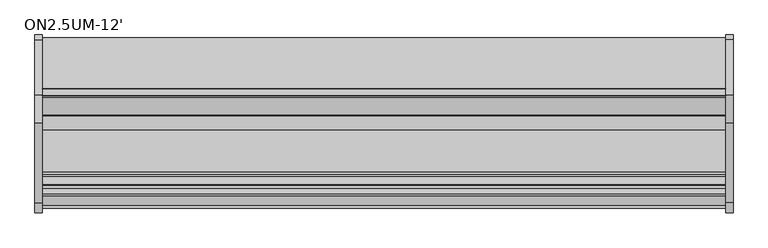
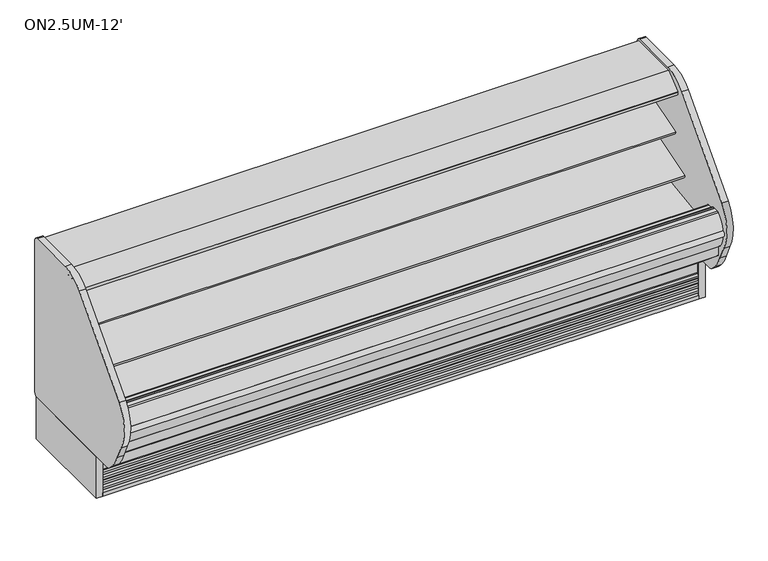
"""IFC4 building model written with IfcOpenShell, lengths in millimetres: proxy geometry, ON2.5UM-12'."""

from ifc_helpers import new_model, si_unit, point, frame, frame_2d, origin, origin_with_axes, place, context, project, spatial, polyline, circle_curve, trimmed, segment, composite_curve, outline, extrude, source, transform, mapped, element, save
from ifc_brep_helpers import plane_surface, revolved_surface, advanced_brep


def on2_5um_12_7f1e8a4a(model_context):
    return source(origin(), model_context, "Body", "SolidModel", [
        extrude(outline(polyline([(507.388263, -893.2764617), (202.588263, -893.2764617), (202.588263, -791.6764617), (507.388263, -791.6764617), (507.388263, -893.2764617)])), frame((0.0, 0.0, 73.025), z_axis=(0.0, 0.0, 1.0), x_axis=(1.0, 0.0, 0.0)), (0.0, 0.0, 1.0), 53.975),
        extrude(outline(composite_curve([segment(polyline([(-450.9752145, 601.5405648), (-468.3502366, 595.9037411)]), True, "CONTINUOUS"), segment(trimmed(circle_curve(frame_2d((-476.1883714, 620.0641145)), 25.4), [point((-468.3502366, 595.9037411))], [point((-485.6945728, 596.5100886))], False, "CARTESIAN"), True, "CONTINUOUS"), segment(polyline([(-485.6945728, 596.5100886), (-506.9899706, 605.1047271)]), True, "CONTINUOUS"), segment(trimmed(circle_curve(frame_2d((-530.755474, 546.2196624)), 63.5), [point((-506.9899706, 605.1047271))], [point((-541.6241367, 608.7826081))], True, "CARTESIAN"), True, "CONTINUOUS"), segment(polyline([(-541.6241367, 608.7826081), (-729.3406491, 576.171812), (-731.7702933, 579.0267523), (-835.4587722, 547.3260029), (-839.6174674, 560.9284818), (-450.9752145, 679.7483426), (-450.9752145, 601.5405648)]), True, "CONTINUOUS")], self_intersect=False)), frame((0.0, 0.0, 0.0), z_axis=(1.0, 0.0, 0.0), x_axis=(0.0, 1.0, 0.0)), (0.0, 0.0, 1.0), 3657.6),
        extrude(outline(composite_curve([segment(polyline([(-450.9752145, 796.011901), (-468.3502366, 790.3750773)]), True, "CONTINUOUS"), segment(trimmed(circle_curve(frame_2d((-476.1883714, 814.5354507)), 25.4), [point((-468.3502366, 790.3750773))], [point((-485.6945728, 790.9814248))], False, "CARTESIAN"), True, "CONTINUOUS"), segment(polyline([(-485.6945728, 790.9814248), (-506.9899706, 799.5760633)]), True, "CONTINUOUS"), segment(trimmed(circle_curve(frame_2d((-530.755474, 740.6909986)), 63.5), [point((-506.9899706, 799.5760633))], [point((-541.6241367, 803.2539443))], True, "CARTESIAN"), True, "CONTINUOUS"), segment(polyline([(-541.6241367, 803.2539443), (-679.3922366, 785.9139105), (-681.8218807, 788.7688507), (-738.298209, 771.5023043), (-742.4569042, 785.1047832), (-450.9752145, 874.2196788), (-450.9752145, 796.011901)]), True, "CONTINUOUS")], self_intersect=False)), frame((0.0, 0.0, 0.0), z_axis=(1.0, 0.0, 0.0), x_axis=(0.0, 1.0, 0.0)), (0.0, 0.0, 1.0), 3657.6),
        extrude(outline(composite_curve([segment(polyline([(-648.470614, 1072.6264761), (-649.9945361, 1074.2809705)]), True, "CONTINUOUS"), segment(trimmed(circle_curve(frame_2d((-649.4381785, 1074.7934206)), 0.7563986), [point((-649.9945361, 1074.2809705))], [point((-650.0466912, 1075.242699))], False, "CARTESIAN"), True, "CONTINUOUS"), segment(polyline([(-650.0466912, 1075.242699), (-648.8697344, 1075.2696879)]), True, "CONTINUOUS"), segment(trimmed(circle_curve(frame_2d((-648.8849906, 1075.9349944)), 0.6654814), [point((-648.8697344, 1075.2696879))], [point((-648.2227389, 1075.86951))], True, "CARTESIAN"), True, "CONTINUOUS"), segment(polyline([(-648.2227389, 1075.86951), (-620.3098143, 1075.9693853)]), True, "CONTINUOUS"), segment(trimmed(circle_curve(frame_2d((-619.7582325, 1075.901174)), 0.5557835), [point((-620.3098143, 1075.9693853))], [point((-619.8063732, 1075.3474794))], True, "CARTESIAN"), True, "CONTINUOUS"), segment(polyline([(-619.8063732, 1075.3474794), (-618.5866603, 1075.2414319)]), True, "CONTINUOUS"), segment(trimmed(circle_curve(frame_2d((-619.2724659, 1074.9057275)), 0.7635619), [point((-618.5866603, 1075.2414319))], [point((-618.7071533, 1074.3924554))], False, "CARTESIAN"), True, "CONTINUOUS"), segment(polyline([(-618.7071533, 1074.3924554), (-620.2979029, 1072.6404203), (-620.2739221, 1065.9383273)]), True, "CONTINUOUS"), segment(trimmed(circle_curve(frame_2d((-617.5454128, 1065.4973187)), 2.7639197), [point((-620.2739221, 1065.9383273))], [point((-618.5092301, 1062.9068924))], True, "CARTESIAN"), True, "CONTINUOUS"), segment(trimmed(circle_curve(frame_2d((-619.7320957, 1059.6202289)), 3.5067873), [point((-618.5092301, 1062.9068924))], [point((-617.51659, 1062.3385173))], False, "CARTESIAN"), True, "CONTINUOUS"), segment(trimmed(circle_curve(frame_2d((-619.9358423, 1056.2322704)), 6.5680312), [point((-617.51659, 1062.3385173))], [point((-613.3688711, 1056.350264))], False, "CARTESIAN"), True, "CONTINUOUS"), segment(trimmed(circle_curve(frame_2d((-1565.705013, 1048.3568984)), 952.3696872), [point((-613.3688711, 1056.350264))], [point((-613.3917721, 1037.9880818))], False, "CARTESIAN"), True, "CONTINUOUS"), segment(trimmed(circle_curve(frame_2d((-644.191626, 1038.432929)), 30.8030662), [point((-613.3917721, 1037.9880818))], [point((-613.4160701, 1037.1313729))], False, "CARTESIAN"), True, "CONTINUOUS"), segment(trimmed(circle_curve(frame_2d((-614.6672942, 1036.8230636)), 1.288649), [point((-613.4160701, 1037.1313729))], [point((-613.7448372, 1035.9232363))], False, "CARTESIAN"), True, "CONTINUOUS"), segment(polyline([(-613.7448372, 1035.9232363), (-615.3844258, 1035.9173697)]), True, "CONTINUOUS"), segment(trimmed(circle_curve(frame_2d((-614.9290066, 1038.5823232)), 2.7035873), [point((-615.3844258, 1035.9173697))], [point((-616.2763262, 1036.2383706))], False, "CARTESIAN"), True, "CONTINUOUS"), segment(polyline([(-616.2763262, 1036.2383706), (-652.0965363, 1036.1102022)]), True, "CONTINUOUS"), segment(trimmed(circle_curve(frame_2d((-653.4351306, 1038.4591487)), 2.7035873), [point((-652.0965363, 1036.1102022))], [point((-653.0538308, 1035.7825847))], False, "CARTESIAN"), True, "CONTINUOUS"), segment(polyline([(-653.0538308, 1035.7825847), (-654.7261323, 1035.7766011)]), True, "CONTINUOUS"), segment(trimmed(circle_curve(frame_2d((-653.779063, 1036.6504867)), 1.288649), [point((-654.7261323, 1035.7766011))], [point((-655.0218104, 1036.9913611))], False, "CARTESIAN"), True, "CONTINUOUS"), segment(trimmed(circle_curve(frame_2d((514.6365685, 1060.3863806)), 1169.8923242), [point((-655.0218104, 1036.9913611))], [point((-655.2482668, 1056.2004152))], False, "CARTESIAN"), True, "CONTINUOUS"), segment(trimmed(circle_curve(frame_2d((-648.976975, 1056.2228546)), 6.2713319), [point((-655.2482668, 1056.2004152))], [point((-652.1320539, 1061.6427329))], False, "CARTESIAN"), True, "CONTINUOUS"), segment(polyline([(-652.1320539, 1061.6427329), (-650.1549769, 1062.7936506)]), True, "CONTINUOUS"), segment(trimmed(circle_curve(frame_2d((-651.9196866, 1065.8251158)), 3.5077032), [point((-650.1549769, 1062.7936506))], [point((-648.4120058, 1065.8376464))], True, "CARTESIAN"), True, "CONTINUOUS"), segment(polyline([(-648.4120058, 1065.8376464), (-648.470614, 1072.6264761)]), True, "CONTINUOUS")], self_intersect=False)), frame((0.0, 0.0, 0.0), z_axis=(1.0, 0.0, 0.0), x_axis=(0.0, 1.0, 0.0)), (0.0, 0.0, 1.0), 3657.6),
        extrude(outline(composite_curve([segment(polyline([(-685.859414, 1072.6264761), (-687.3833361, 1074.2809705)]), True, "CONTINUOUS"), segment(trimmed(circle_curve(frame_2d((-686.8269785, 1074.7934206)), 0.7563986), [point((-687.3833361, 1074.2809705))], [point((-687.4354912, 1075.242699))], False, "CARTESIAN"), True, "CONTINUOUS"), segment(polyline([(-687.4354912, 1075.242699), (-686.2585344, 1075.2696879)]), True, "CONTINUOUS"), segment(trimmed(circle_curve(frame_2d((-686.2737906, 1075.9349944)), 0.6654814), [point((-686.2585344, 1075.2696879))], [point((-685.6115389, 1075.86951))], True, "CARTESIAN"), True, "CONTINUOUS"), segment(polyline([(-685.6115389, 1075.86951), (-657.6986143, 1075.9693853)]), True, "CONTINUOUS"), segment(trimmed(circle_curve(frame_2d((-657.1470325, 1075.901174)), 0.5557835), [point((-657.6986143, 1075.9693853))], [point((-657.1951732, 1075.3474794))], True, "CARTESIAN"), True, "CONTINUOUS"), segment(polyline([(-657.1951732, 1075.3474794), (-655.9754603, 1075.2414319)]), True, "CONTINUOUS"), segment(trimmed(circle_curve(frame_2d((-656.6612659, 1074.9057275)), 0.7635619), [point((-655.9754603, 1075.2414319))], [point((-656.0959533, 1074.3924554))], False, "CARTESIAN"), True, "CONTINUOUS"), segment(polyline([(-656.0959533, 1074.3924554), (-657.6867029, 1072.6404203), (-657.6627221, 1065.9383273)]), True, "CONTINUOUS"), segment(trimmed(circle_curve(frame_2d((-654.9342128, 1065.4973187)), 2.7639197), [point((-657.6627221, 1065.9383273))], [point((-655.8980301, 1062.9068924))], True, "CARTESIAN"), True, "CONTINUOUS"), segment(trimmed(circle_curve(frame_2d((-657.1208957, 1059.6202289)), 3.5067873), [point((-655.8980301, 1062.9068924))], [point((-654.90539, 1062.3385173))], False, "CARTESIAN"), True, "CONTINUOUS"), segment(trimmed(circle_curve(frame_2d((-657.3246423, 1056.2322704)), 6.5680312), [point((-654.90539, 1062.3385173))], [point((-650.7576711, 1056.350264))], False, "CARTESIAN"), True, "CONTINUOUS"), segment(trimmed(circle_curve(frame_2d((-1603.093813, 1048.3568984)), 952.3696872), [point((-650.7576711, 1056.350264))], [point((-650.7805721, 1037.9880818))], False, "CARTESIAN"), True, "CONTINUOUS"), segment(trimmed(circle_curve(frame_2d((-681.580426, 1038.432929)), 30.8030662), [point((-650.7805721, 1037.9880818))], [point((-650.8048701, 1037.1313729))], False, "CARTESIAN"), True, "CONTINUOUS"), segment(trimmed(circle_curve(frame_2d((-652.0560942, 1036.8230636)), 1.288649), [point((-650.8048701, 1037.1313729))], [point((-651.1336372, 1035.9232363))], False, "CARTESIAN"), True, "CONTINUOUS"), segment(polyline([(-651.1336372, 1035.9232363), (-652.7732258, 1035.9173697)]), True, "CONTINUOUS"), segment(trimmed(circle_curve(frame_2d((-652.3178066, 1038.5823232)), 2.7035873), [point((-652.7732258, 1035.9173697))], [point((-653.6651262, 1036.2383706))], False, "CARTESIAN"), True, "CONTINUOUS"), segment(polyline([(-653.6651262, 1036.2383706), (-689.4853363, 1036.1102022)]), True, "CONTINUOUS"), segment(trimmed(circle_curve(frame_2d((-690.8239306, 1038.4591487)), 2.7035873), [point((-689.4853363, 1036.1102022))], [point((-690.4426308, 1035.7825847))], False, "CARTESIAN"), True, "CONTINUOUS"), segment(polyline([(-690.4426308, 1035.7825847), (-692.1149323, 1035.7766011)]), True, "CONTINUOUS"), segment(trimmed(circle_curve(frame_2d((-691.167863, 1036.6504867)), 1.288649), [point((-692.1149323, 1035.7766011))], [point((-692.4106104, 1036.9913611))], False, "CARTESIAN"), True, "CONTINUOUS"), segment(trimmed(circle_curve(frame_2d((477.2477685, 1060.3863806)), 1169.8923242), [point((-692.4106104, 1036.9913611))], [point((-692.6370668, 1056.2004152))], False, "CARTESIAN"), True, "CONTINUOUS"), segment(trimmed(circle_curve(frame_2d((-686.365775, 1056.2228546)), 6.2713319), [point((-692.6370668, 1056.2004152))], [point((-689.5208539, 1061.6427329))], False, "CARTESIAN"), True, "CONTINUOUS"), segment(polyline([(-689.5208539, 1061.6427329), (-687.5437769, 1062.7936506)]), True, "CONTINUOUS"), segment(trimmed(circle_curve(frame_2d((-689.3084866, 1065.8251158)), 3.5077032), [point((-687.5437769, 1062.7936506))], [point((-685.8008058, 1065.8376464))], True, "CARTESIAN"), True, "CONTINUOUS"), segment(polyline([(-685.8008058, 1065.8376464), (-685.859414, 1072.6264761)]), True, "CONTINUOUS")], self_intersect=False)), frame((0.0, 0.0, 0.0), z_axis=(1.0, 0.0, 0.0), x_axis=(0.0, 1.0, 0.0)), (0.0, 0.0, 1.0), 3657.6),
        extrude(outline(composite_curve([segment(trimmed(circle_curve(frame_2d((-634.3430759, 1052.6167993)), 14.2875), [point((-648.6305759, 1052.6167993))], [point((-620.0555759, 1052.6167993))], False, "CARTESIAN"), True, "CONTINUOUS"), segment(trimmed(circle_curve(frame_2d((-634.3430759, 1052.6167993)), 14.2875), [point((-620.0555759, 1052.6167993))], [point((-648.6305759, 1052.6167993))], False, "CARTESIAN"), True, "CONTINUOUS")], self_intersect=False)), frame((0.0, 0.0, 0.0), z_axis=(1.0, 0.0, 0.0), x_axis=(0.0, 1.0, 0.0)), (0.0, 0.0, 1.0), 3657.6),
        extrude(outline(composite_curve([segment(trimmed(circle_curve(frame_2d((-671.7318759, 1052.6167993)), 14.2875), [point((-686.0193759, 1052.6167993))], [point((-657.4443759, 1052.6167993))], False, "CARTESIAN"), True, "CONTINUOUS"), segment(trimmed(circle_curve(frame_2d((-671.7318759, 1052.6167993)), 14.2875), [point((-657.4443759, 1052.6167993))], [point((-686.0193759, 1052.6167993))], False, "CARTESIAN"), True, "CONTINUOUS")], self_intersect=False)), frame((0.0, 0.0, 0.0), z_axis=(1.0, 0.0, 0.0), x_axis=(0.0, 1.0, 0.0)), (0.0, 0.0, 1.0), 3657.6),
        extrude(outline(composite_curve([segment(polyline([(-973.672535, -56.2420958), (-970.1834379, -45.2032877), (-982.2794629, -45.2032877), (-982.2794629, -32.8224109)]), True, "CONTINUOUS"), segment(trimmed(circle_curve(frame_2d((-986.6973307, -19.3202637)), 14.2065314), [point((-982.2794629, -32.8224109))], [point((-973.1374647, -23.5576651))], True, "CARTESIAN"), True, "CONTINUOUS"), segment(polyline([(-973.1374647, -23.5576651), (-970.3324167, -14.5813913), (-982.2794629, -14.5813913), (-982.2794629, -1.8502278)]), True, "CONTINUOUS"), segment(trimmed(circle_curve(frame_2d((-986.769706, 11.7233359)), 14.2969897), [point((-982.2794629, -1.8502278))], [point((-973.1374647, 7.414518))], True, "CARTESIAN"), True, "CONTINUOUS"), segment(polyline([(-973.1374647, 7.414518), (-971.254091, 13.4413945), (-971.254091, 130.175), (-962.6443405, 130.175), (-962.6443405, -149.3857268), (-987.2903379, -149.3857268), (-987.2903379, -127.7937749)]), True, "CONTINUOUS"), segment(trimmed(circle_curve(frame_2d((-986.7545143, -114.0983982)), 13.7058546), [point((-987.2903379, -127.7937749))], [point((-973.672535, -118.186462))], True, "CARTESIAN"), True, "CONTINUOUS"), segment(polyline([(-973.672535, -118.186462), (-970.7580238, -108.8599016), (-982.8145331, -108.8599016), (-982.8145331, -96.4790247)]), True, "CONTINUOUS"), segment(trimmed(circle_curve(frame_2d((-987.2324009, -82.9768775)), 14.2065314), [point((-982.8145331, -96.4790247))], [point((-973.672535, -87.2142789))], True, "CARTESIAN"), True, "CONTINUOUS"), segment(polyline([(-973.672535, -87.2142789), (-970.867487, -78.2380052), (-982.8145331, -78.2380052), (-982.8145331, -65.5068416)]), True, "CONTINUOUS"), segment(trimmed(circle_curve(frame_2d((-987.3047763, -51.933278)), 14.2969897), [point((-982.8145331, -65.5068416))], [point((-973.672535, -56.2420958))], True, "CARTESIAN"), True, "CONTINUOUS")], self_intersect=False)), frame((0.0, 0.0, 0.0), z_axis=(1.0, 0.0, 0.0), x_axis=(0.0, 1.0, 0.0)), (0.0, 0.0, 1.0), 3657.6),
        extrude(outline(polyline([(-349.0071273, 130.0142732), (-349.0071273, -149.3857268), (-390.3074283, -149.3857268), (-390.3074283, -79.5357268), (-920.5324283, -79.5357268), (-920.5324283, -149.3857268), (-962.9606519, -149.3857268), (-962.9606519, 130.0142732), (-349.0071273, 130.0142732)])), frame((0.0, 0.0, 0.0), z_axis=(1.0, 0.0, 0.0), x_axis=(0.0, 1.0, 0.0)), (0.0, 0.0, 1.0), 3657.6),
        extrude(outline(composite_curve([segment(polyline([(-399.8071273, 210.4307819), (-850.7588442, 194.683201), (-887.8011508, 163.7297871), (-889.0391302, 163.6865559), (-901.7492603, 153.7615258), (-962.0375119, 151.6562137), (-975.406166, 160.6685318), (-976.7040986, 160.6685318), (-1015.7041009, 188.882107), (-1030.3158209, 188.3718545), (-1140.3441273, 280.6965658), (-1140.3441273, 390.4771975), (-1152.9959201, 390.4771975), (-1152.9959201, 539.5892732), (-1138.0485917, 539.5892732)]), True, "CONTINUOUS"), segment(trimmed(circle_curve(frame_2d((-1138.0485917, 536.4142732)), 3.175), [point((-1138.0485917, 539.5892732))], [point((-1134.8735917, 536.4142732))], False, "CARTESIAN"), True, "CONTINUOUS"), segment(polyline([(-1134.8735917, 536.4142732), (-1134.8735917, 523.3115042), (-1089.9420117, 523.3115042)]), True, "CONTINUOUS"), segment(trimmed(circle_curve(frame_2d((-1089.9420117, 515.3867042)), 7.9248), [point((-1089.9420117, 523.3115042))], [point((-1082.0172117, 515.3867042))], False, "CARTESIAN"), True, "CONTINUOUS"), segment(polyline([(-1082.0172117, 515.3867042), (-1082.0172117, 377.7429537), (-1064.7975145, 377.7429537), (-542.3529877, 450.4013198), (-462.7893073, 458.1248825)]), True, "CONTINUOUS"), segment(trimmed(circle_curve(frame_2d((-463.6752145, 470.7939459)), 12.7), [point((-462.7893073, 458.1248825))], [point((-450.9752145, 470.7939459))], True, "CARTESIAN"), True, "CONTINUOUS"), segment(polyline([(-450.9752145, 470.7939459), (-450.9752145, 1012.0331953), (-399.8071273, 1012.0331953), (-399.8071273, 210.4307819)]), True, "CONTINUOUS")], self_intersect=False)), frame((0.0, 0.0, 0.0), z_axis=(1.0, 0.0, 0.0), x_axis=(0.0, 1.0, 0.0)), (0.0, 0.0, 1.0), 3657.6),
        advanced_brep(
        [(3657.6, -1040.4311421, 130.175), (3657.6, -349.0071273, 130.175), (3657.6, -349.0071273, 1092.2749935), (3657.6, -399.8071273, 1092.2749935), (3657.6, -399.8071273, 210.4307819), (3657.6, -850.7588442, 194.683201), (3657.6, -887.8011508, 163.7297871), (3657.6, -889.0391302, 163.6865559), (3657.6, -901.7492603, 153.7615258), (3657.6, -962.0375119, 151.6562137), (3657.6, -975.7864511, 160.9248965), (3657.6, -977.0584749, 160.9248965), (3657.6, -1015.7041009, 188.882107), (3657.6, -1030.3158209, 188.3718545), (3657.6, -1140.3441273, 280.6965658), (3657.6, -1140.3441273, 390.4771975), (3657.6, -1192.9399655, 390.4771975), (3657.6, -1192.9399655, 258.1450974), (0.0, -1040.4311421, 130.175), (0.0, -1192.9399655, 258.1450974), (0.0, -1192.9399655, 390.4771975), (0.0, -1140.3441273, 390.4771975), (0.0, -1140.3441273, 280.6965658), (0.0, -1030.3158209, 188.3718545), (0.0, -1015.7041009, 188.882107), (0.0, -977.0584749, 160.9248965), (0.0, -975.7864511, 160.9248965), (0.0, -962.0375119, 151.6562137), (0.0, -901.7492603, 153.7615258), (0.0, -889.0391302, 163.6865559), (0.0, -887.8011508, 163.7297871), (0.0, -850.7588442, 194.683201), (0.0, -399.8071273, 210.4307819), (0.0, -399.8071273, 1092.2749935), (0.0, -349.0071273, 1092.2749935), (0.0, -349.0071273, 130.175), (3556.0, -349.0071273, 279.4), (3556.0, -349.0071273, 342.9), (3556.0, -399.8071273, 342.9), (3556.0, -399.8071273, 279.4)],
        [
            (0, 1),
            (1, 2),
            (2, 3),
            (3, 4),
            (4, 5),
            (5, 6),
            (6, 7),
            (7, 8),
            (8, 9),
            (9, 10),
            (10, 11),
            (11, 12),
            (12, 13),
            (13, 14),
            (14, 15),
            (15, 16),
            (16, 17),
            (17, 0),
            (18, 19),
            (19, 20),
            (20, 21),
            (21, 22),
            (22, 23),
            (23, 24),
            (24, 25),
            (25, 26),
            (26, 27),
            (27, 28),
            (28, 29),
            (29, 30),
            (30, 31),
            (31, 32),
            (32, 33),
            (33, 34),
            (34, 35),
            (35, 18),
            (0, 18),
            (35, 1),
            (34, 2),
            (36, 37, circle_curve(frame((3556.0, -349.0071273, 311.15), z_axis=(0.0, -1.0, 0.0), x_axis=(0.0, 0.0, -1.0)), 31.75)),
            (37, 36, circle_curve(frame((3556.0, -349.0071273, 311.15), z_axis=(0.0, -1.0, 0.0), x_axis=(0.0, 0.0, -1.0)), 31.75)),
            (33, 3),
            (32, 4),
            (38, 39, circle_curve(frame((3556.0, -399.8071273, 311.15), z_axis=(0.0, 1.0, 0.0), x_axis=(0.0, 0.0, -1.0)), 31.75)),
            (39, 38, circle_curve(frame((3556.0, -399.8071273, 311.15), z_axis=(0.0, 1.0, 0.0), x_axis=(0.0, 0.0, -1.0)), 31.75)),
            (5, 31),
            (30, 6),
            (29, 7),
            (28, 8),
            (27, 9),
            (26, 10),
            (25, 11),
            (24, 12),
            (23, 13),
            (22, 14),
            (21, 15),
            (20, 16),
            (19, 17),
            (36, 39),
            (38, 37),
        ],
        [
            plane_surface(frame((3657.6, -349.0071273, 130.175), z_axis=(1.0, 0.0, 0.0), x_axis=(0.0, 1.0, 0.0))),
            plane_surface(frame((0.0, -349.0071273, 130.175), z_axis=(-1.0, 0.0, 0.0), x_axis=(0.0, -1.0, 0.0))),
            plane_surface(frame((3657.6, -1040.4311421, 130.175), z_axis=(0.0, 0.0, -1.0), x_axis=(-1.0, 0.0, 0.0))),
            plane_surface(frame((3657.6, -349.0071273, 130.175), z_axis=(0.0, 1.0, 0.0), x_axis=(-1.0, 0.0, 0.0))),
            plane_surface(frame((3657.6, -349.0071273, 1092.2749935), z_axis=(0.0, 0.0, 1.0), x_axis=(-1.0, 0.0, 0.0))),
            plane_surface(frame((3657.6, -399.8071273, 1092.2749935), z_axis=(0.0, -1.0, 0.0), x_axis=(-1.0, 0.0, 0.0))),
            plane_surface(frame((3657.6, -850.7588442, 194.683201), z_axis=(0.0, -0.6412208566385922, 0.7673563794037749), x_axis=(-1.0, 0.0, 0.0))),
            plane_surface(frame((3657.6, -887.8011508, 163.7297871), z_axis=(0.0, -0.03489949670156376, 0.9993908270191285), x_axis=(-1.0, 0.0, 0.0))),
            plane_surface(frame((3657.6, -889.0391302, 163.6865559), z_axis=(0.0, -0.6154607629252825, 0.7881675261639681), x_axis=(-1.0, 0.0, 0.0))),
            plane_surface(frame((3657.6, -901.7492603, 153.7615258), z_axis=(0.0, -0.03489949670244605, 0.9993908270190978), x_axis=(-1.0, 0.0, 0.0))),
            plane_surface(frame((3657.6, -962.0375119, 151.6562137), z_axis=(0.0, 0.5589817440967393, 0.8291799622317025), x_axis=(-1.0, 0.0, 0.0))),
            plane_surface(frame((3657.6, -975.7864511, 160.9248965), z_axis=(0.0, 0.0, 1.0), x_axis=(-1.0, 0.0, 0.0))),
            plane_surface(frame((3657.6, -977.0584749, 160.9248965), z_axis=(0.0, 0.5861307997256155, 0.8102164436821869), x_axis=(-1.0, 0.0, 0.0))),
            plane_surface(frame((3657.6, -1015.7041009, 188.882107), z_axis=(0.0, -0.03489949670336666, 0.9993908270190656), x_axis=(-1.0, 0.0, 0.0))),
            plane_surface(frame((3657.6, -1030.3158209, 188.3718545), z_axis=(0.0, 0.6427876096870732, 0.7660444431185303), x_axis=(-1.0, 0.0, 0.0))),
            plane_surface(frame((3657.6, -1140.3441273, 280.6965658), z_axis=(0.0, 1.0, 0.0), x_axis=(-1.0, 0.0, 0.0))),
            plane_surface(frame((3657.6, -1140.3441273, 390.4771975), z_axis=(0.0, 0.0, 1.0), x_axis=(-1.0, 0.0, 0.0))),
            plane_surface(frame((3657.6, -1192.9399655, 390.4771975), z_axis=(0.0, -1.0, 0.0), x_axis=(-1.0, 0.0, 0.0))),
            plane_surface(frame((3657.6, -1192.9399655, 258.1450974), z_axis=(0.0, -0.642787609687077, -0.7660444431185269), x_axis=(-1.0, 0.0, 0.0))),
            revolved_surface(polyline([(3556.0, -349.0071273, 279.4), (3556.0, -399.8071273, 279.4)]), (3556.0, -399.8071273, 311.15), (0.0, 1.0, 0.0)),
            plane_surface(frame((3657.6, -399.8071273, 210.4307819), z_axis=(0.0, -0.03489949670246552, 0.999390827019097), x_axis=(-1.0, 0.0, 0.0))),
        ],
        [
            (0, [[1, 2, 3, 4, 5, 6, 7, 8, 9, 10, 11, 12, 13, 14, 15, 16, 17, 18]]),
            (1, [[19, 20, 21, 22, 23, 24, 25, 26, 27, 28, 29, 30, 31, 32, 33, 34, 35, 36]]),
            (2, [[-1, 37, -36, 38]]),
            (3, [[-2, -38, -35, 39], [40, 41]]),
            (4, [[-3, -39, -34, 42]]),
            (5, [[-4, -42, -33, 43], [44, 45]]),
            (6, [[-6, 46, -31, 47]]),
            (7, [[-7, -47, -30, 48]]),
            (8, [[-8, -48, -29, 49]]),
            (9, [[-9, -49, -28, 50]]),
            (10, [[-10, -50, -27, 51]]),
            (11, [[-11, -51, -26, 52]]),
            (12, [[-12, -52, -25, 53]]),
            (13, [[-13, -53, -24, 54]]),
            (14, [[-14, -54, -23, 55]]),
            (15, [[-15, -55, -22, 56]]),
            (16, [[-16, -56, -21, 57]]),
            (17, [[-17, -57, -20, 58]]),
            (18, [[-18, -58, -19, -37]]),
            (19, [[59, -44, 60, -40]]),
            (19, [[-59, -41, -60, -45]]),
            (20, [[-5, -43, -32, -46]]),
        ],
    ),
        extrude(outline(composite_curve([segment(trimmed(circle_curve(frame_2d((3424.2375, -939.5571273)), 11.1125), [point((3413.125, -939.5571273))], [point((3435.35, -939.5571273))], False, "CARTESIAN"), True, "CONTINUOUS"), segment(trimmed(circle_curve(frame_2d((3424.2375, -939.5571273)), 11.1125), [point((3435.35, -939.5571273))], [point((3413.125, -939.5571273))], False, "CARTESIAN"), True, "CONTINUOUS")], self_intersect=False)), origin_with_axes(), (0.0, 0.0, 1.0), 127.0),
        extrude(outline(composite_curve([segment(trimmed(circle_curve(frame_2d((3449.6375, -939.5571273)), 4.7625), [point((3444.875, -939.5571273))], [point((3454.4, -939.5571273))], False, "CARTESIAN"), True, "CONTINUOUS"), segment(trimmed(circle_curve(frame_2d((3449.6375, -939.5571273)), 4.7625), [point((3454.4, -939.5571273))], [point((3444.875, -939.5571273))], False, "CARTESIAN"), True, "CONTINUOUS")], self_intersect=False)), origin_with_axes(), (0.0, 0.0, 1.0), 127.0),
        extrude(outline(composite_curve([segment(trimmed(circle_curve(frame_2d((1828.8, -939.5571273)), 19.05), [point((1809.75, -939.5571273))], [point((1847.85, -939.5571273))], False, "CARTESIAN"), True, "CONTINUOUS"), segment(trimmed(circle_curve(frame_2d((1828.8, -939.5571273)), 19.05), [point((1847.85, -939.5571273))], [point((1809.75, -939.5571273))], False, "CARTESIAN"), True, "CONTINUOUS")], self_intersect=False)), origin_with_axes(), (0.0, 0.0, 1.0), 127.0),
        extrude(outline(composite_curve([segment(polyline([(-349.0071273, 1092.2749935), (-399.8071273, 1092.2749935), (-399.8071273, 1012.0331953), (-450.9752145, 1012.0331953), (-450.9752145, 965.1025378), (-452.6021305, 965.1025378), (-476.2704286, 961.7782473)]), True, "CONTINUOUS"), segment(trimmed(circle_curve(frame_2d((-476.4103115, 963.3519225)), 1.57988), [point((-476.2704286, 961.7782473))], [point((-477.9748162, 963.1320457))], False, "CARTESIAN"), True, "CONTINUOUS"), segment(polyline([(-477.9748162, 963.1320457), (-478.8596259, 969.4277938), (-478.0748583, 969.5380857), (-490.0103931, 1054.4638279), (-490.7906652, 1054.3602184), (-491.8137739, 1062.0649865)]), True, "CONTINUOUS"), segment(trimmed(circle_curve(frame_2d((-490.2526771, 1062.272283)), 1.5748), [point((-491.8137739, 1062.0649865))], [point((-490.4599737, 1063.8333798))], False, "CARTESIAN"), True, "CONTINUOUS"), segment(polyline([(-490.4599737, 1063.8333798), (-466.4955625, 1067.0155909)]), True, "CONTINUOUS"), segment(trimmed(circle_curve(frame_2d((-466.288266, 1065.4544941)), 1.5748), [point((-466.4955625, 1067.0155909))], [point((-464.7836013, 1065.9192298))], False, "CARTESIAN"), True, "CONTINUOUS"), segment(polyline([(-464.7836013, 1065.9192298), (-462.0166042, 1056.9605838), (-452.3090902, 1059.9588787), (-454.1216347, 1065.8273143), (-457.7728022, 1064.6996026), (-458.7166992, 1064.1088718), (-482.986121, 1093.0320425), (-691.3544388, 1093.0320425), (-692.1926388, 1092.1938425), (-692.1926388, 1081.0686425), (-692.7507284, 1079.8898324), (-737.3885713, 1043.3138324), (-738.3544817, 1042.9686425), (-749.8511048, 1042.9686425), (-749.8511048, 1041.0368669), (-764.9122817, 1041.0368669), (-764.9122817, 1059.4011534), (-764.3645933, 1060.5494059), (-666.4673876, 1139.825), (-349.0071273, 1139.825), (-349.0071273, 1092.2749935)]), True, "CONTINUOUS")], self_intersect=False), holes=[composite_curve([segment(polyline([(-475.8499668, 962.4501808), (-452.2692084, 965.7642403), (-466.3652471, 1066.0627674), (-489.1258285, 1063.0404117)]), True, "CONTINUOUS"), segment(trimmed(circle_curve(frame_2d((-489.0221802, 1062.2598633)), 0.7874), [point((-489.1258285, 1063.0404117))], [point((-489.8027323, 1062.156243))], True, "CARTESIAN"), True, "CONTINUOUS"), segment(polyline([(-489.8027323, 1062.156243), (-488.7798961, 1054.4514082), (-475.8499668, 962.4501808)]), True, "CONTINUOUS")], self_intersect=False)]), frame((0.0, 0.0, 0.0), z_axis=(1.0, 0.0, 0.0), x_axis=(0.0, 1.0, 0.0)), (0.0, 0.0, 1.0), 3657.6),
        extrude(outline(composite_curve([segment(polyline([(-647.0430759, 1084.0509567), (-648.8822888, 1092.4583567), (-619.8038629, 1092.4583567), (-621.6430759, 1084.0509567), (-621.6430759, 1076.3247619)]), True, "CONTINUOUS"), segment(trimmed(circle_curve(frame_2d((-634.3430759, 1069.7793317)), 14.2875), [point((-621.6430759, 1076.3247619))], [point((-647.0430759, 1076.3247619))], True, "CARTESIAN"), True, "CONTINUOUS"), segment(polyline([(-647.0430759, 1076.3247619), (-647.0430759, 1084.0509567)]), True, "CONTINUOUS")], self_intersect=False)), frame((0.0, 0.0, 0.0), z_axis=(1.0, 0.0, 0.0), x_axis=(0.0, 1.0, 0.0)), (0.0, 0.0, 1.0), 3657.6),
        extrude(outline(composite_curve([segment(trimmed(circle_curve(frame_2d((-671.7318759, 1069.7793317)), 14.2875), [point((-659.0318759, 1076.3247619))], [point((-684.4318759, 1076.3247619))], True, "CARTESIAN"), True, "CONTINUOUS"), segment(polyline([(-684.4318759, 1076.3247619), (-684.4318759, 1084.0509567), (-686.2710888, 1092.4583567), (-657.1926629, 1092.4583567), (-659.0318759, 1084.0509567), (-659.0318759, 1076.3247619)]), True, "CONTINUOUS")], self_intersect=False)), frame((0.0, 0.0, 0.0), z_axis=(1.0, 0.0, 0.0), x_axis=(0.0, 1.0, 0.0)), (0.0, 0.0, 1.0), 3657.6),
        extrude(outline(composite_curve([segment(trimmed(circle_curve(frame_2d((-634.3430759, 1049.1418317)), 14.2875), [point((-648.6305759, 1049.1418317))], [point((-620.0555759, 1049.1418317))], False, "CARTESIAN"), True, "CONTINUOUS"), segment(trimmed(circle_curve(frame_2d((-634.3430759, 1049.1418317)), 14.2875), [point((-620.0555759, 1049.1418317))], [point((-648.6305759, 1049.1418317))], False, "CARTESIAN"), True, "CONTINUOUS")], self_intersect=False)), frame((0.0, 0.0, 0.0), z_axis=(1.0, 0.0, 0.0), x_axis=(0.0, 1.0, 0.0)), (0.0, 0.0, 1.0), 3657.6),
        extrude(outline(composite_curve([segment(trimmed(circle_curve(frame_2d((-671.7318759, 1049.1418317)), 14.2875), [point((-657.4443759, 1049.1418317))], [point((-686.0193759, 1049.1418317))], False, "CARTESIAN"), True, "CONTINUOUS"), segment(trimmed(circle_curve(frame_2d((-671.7318759, 1049.1418317)), 14.2875), [point((-686.0193759, 1049.1418317))], [point((-657.4443759, 1049.1418317))], False, "CARTESIAN"), True, "CONTINUOUS")], self_intersect=False)), frame((0.0, 0.0, 0.0), z_axis=(1.0, 0.0, 0.0), x_axis=(0.0, 1.0, 0.0)), (0.0, 0.0, 1.0), 3657.6),
        extrude(outline(composite_curve([segment(trimmed(circle_curve(frame_2d((-1243.3454388, 431.6392732)), 17.3404466), [point((-1243.9159908, 414.3082155))], [point((-1243.9159908, 448.9703308))], False, "CARTESIAN"), True, "CONTINUOUS"), segment(trimmed(circle_curve(frame_2d((-1244.4865429, 431.6392732)), 17.3404466), [point((-1243.9159908, 448.9703308))], [point((-1243.9159908, 414.3082155))], False, "CARTESIAN"), True, "CONTINUOUS")], self_intersect=False)), frame((0.0, 0.0, 0.0), z_axis=(1.0, 0.0, 0.0), x_axis=(0.0, 1.0, 0.0)), (0.0, 0.0, 1.0), 3657.6),
        extrude(outline(composite_curve([segment(polyline([(-1192.9399655, 330.0519731), (-1209.3590917, 330.0519732)]), True, "CONTINUOUS"), segment(trimmed(circle_curve(frame_2d((-1209.3590917, 336.4019735)), 6.3500003), [point((-1209.3590917, 330.0519732))], [point((-1214.1204173, 332.2005116))], False, "CARTESIAN"), True, "CONTINUOUS"), segment(trimmed(circle_curve(frame_2d((-1112.5910686, 415.8326039)), 131.5391027), [point((-1214.1204173, 332.2005116))], [point((-1244.1224306, 414.4056046))], False, "CARTESIAN"), True, "CONTINUOUS"), segment(trimmed(circle_curve(frame_2d((-1244.4862372, 431.7422344)), 17.3404466), [point((-1244.1224306, 414.4056046))], [point((-1244.476772, 449.0826785))], True, "CARTESIAN"), True, "CONTINUOUS"), segment(trimmed(circle_curve(frame_2d((-1103.5131671, 423.3102831)), 143.3002242), [point((-1244.476772, 449.0826785))], [point((-1192.8405144, 535.3619643))], False, "CARTESIAN"), True, "CONTINUOUS"), segment(trimmed(circle_curve(frame_2d((-1182.0540917, 523.7142732)), 15.875), [point((-1192.8405144, 535.3619643))], [point((-1182.0540917, 539.5892732))], False, "CARTESIAN"), True, "CONTINUOUS"), segment(polyline([(-1182.0540917, 539.5892732), (-1152.9959201, 539.5892732), (-1152.9959201, 390.4771975), (-1192.9399655, 390.4771975), (-1192.9399655, 330.0519731)]), True, "CONTINUOUS")], self_intersect=False)), frame((0.0, 0.0, 0.0), z_axis=(1.0, 0.0, 0.0), x_axis=(0.0, 1.0, 0.0)), (0.0, 0.0, 1.0), 3657.6),
        extrude(outline(polyline([(3657.6, -987.1821273), (3657.6, -349.0071273), (3695.7, -349.0071273), (3695.7, -987.1821273), (3657.6, -987.1821273)])), frame((0.0, 0.0, -149.3857268), z_axis=(0.0, 0.0, 1.0), x_axis=(1.0, 0.0, 0.0)), (0.0, 0.0, 1.0), 269.875),
        extrude(outline(polyline([(0.0, -349.0071273), (0.0, -987.1821273), (-38.1, -987.1821273), (-38.1, -349.0071273), (0.0, -349.0071273)])), frame((0.0, 0.0, -149.3857268), z_axis=(0.0, 0.0, 1.0), x_axis=(1.0, 0.0, 0.0)), (0.0, 0.0, 1.0), 269.875),
        extrude(outline(composite_curve([segment(polyline([(-333.4882527, 1129.4453274), (-333.4882527, 146.4514655)]), True, "CONTINUOUS"), segment(trimmed(circle_curve(frame_2d((-359.4504451, 146.4514655)), 25.9621924), [point((-333.4882527, 146.4514655))], [point((-359.4504451, 120.4892732))], False, "CARTESIAN"), True, "CONTINUOUS"), segment(polyline([(-359.4504451, 120.4892732), (-1091.5724294, 120.4892732)]), True, "CONTINUOUS"), segment(trimmed(circle_curve(frame_2d((-1091.5724294, 177.8171266)), 57.3278534), [point((-1091.5724294, 120.4892732))], [point((-1135.5496727, 141.0409815))], False, "CARTESIAN"), True, "CONTINUOUS"), segment(trimmed(circle_curve(frame_2d((-90.7024922, 1134.997715)), 1442.1011125), [point((-1135.5496727, 141.0409815))], [point((-1158.1368196, 165.3381998))], False, "CARTESIAN"), True, "CONTINUOUS"), segment(trimmed(circle_curve(frame_2d((-965.4273593, 340.3958657)), 260.35), [point((-1158.1368196, 165.3381998))], [point((-1209.509184, 249.8078679))], False, "CARTESIAN"), True, "CONTINUOUS"), segment(trimmed(circle_curve(frame_2d((-1810.371575, 26.8051063)), 640.910169), [point((-1209.509184, 249.8078679))], [point((-1248.6048522, 335.3241395))], True, "CARTESIAN"), True, "CONTINUOUS"), segment(trimmed(circle_curve(frame_2d((-1030.4363779, 465.0916313)), 253.8446082), [point((-1248.6048522, 335.3241395))], [point((-1230.9114425, 620.8055793))], False, "CARTESIAN"), True, "CONTINUOUS"), segment(polyline([(-1230.9114425, 620.8055793), (-806.6927097, 1087.6272751)]), True, "CONTINUOUS"), segment(trimmed(circle_curve(frame_2d((-654.7824756, 949.5806342)), 205.2646932), [point((-806.6927097, 1087.6272751))], [point((-654.7824756, 1154.8453274))], False, "CARTESIAN"), True, "CONTINUOUS"), segment(polyline([(-654.7824756, 1154.8453274), (-358.8882527, 1154.8453274)]), True, "CONTINUOUS"), segment(trimmed(circle_curve(frame_2d((-358.8882527, 1129.4453274)), 25.4), [point((-358.8882527, 1154.8453274))], [point((-333.4882527, 1129.4453274))], False, "CARTESIAN"), True, "CONTINUOUS")], self_intersect=False)), frame((3657.6, 0.0, 0.0), z_axis=(1.0, 0.0, 0.0), x_axis=(0.0, 1.0, 0.0)), (0.0, 0.0, 1.0), 38.1),
        extrude(outline(composite_curve([segment(trimmed(circle_curve(frame_2d((-654.7824756, 949.5806342)), 205.2646932), [point((-806.6927097, 1087.6272751))], [point((-654.7824756, 1154.8453274))], False, "CARTESIAN"), True, "CONTINUOUS"), segment(polyline([(-654.7824756, 1154.8453274), (-358.8882527, 1154.8453274)]), True, "CONTINUOUS"), segment(trimmed(circle_curve(frame_2d((-358.8882527, 1129.4453274)), 25.4), [point((-358.8882527, 1154.8453274))], [point((-333.4882527, 1129.4453274))], False, "CARTESIAN"), True, "CONTINUOUS"), segment(polyline([(-333.4882527, 1129.4453274), (-333.4882527, 146.4514655)]), True, "CONTINUOUS"), segment(trimmed(circle_curve(frame_2d((-359.4504451, 146.4514655)), 25.9621924), [point((-333.4882527, 146.4514655))], [point((-359.4504451, 120.4892732))], False, "CARTESIAN"), True, "CONTINUOUS"), segment(polyline([(-359.4504451, 120.4892732), (-1091.5724294, 120.4892732)]), True, "CONTINUOUS"), segment(trimmed(circle_curve(frame_2d((-1091.5724294, 177.8171266)), 57.3278534), [point((-1091.5724294, 120.4892732))], [point((-1135.5496727, 141.0409815))], False, "CARTESIAN"), True, "CONTINUOUS"), segment(trimmed(circle_curve(frame_2d((-90.7024922, 1134.997715)), 1442.1011125), [point((-1135.5496727, 141.0409815))], [point((-1158.1368196, 165.3381998))], False, "CARTESIAN"), True, "CONTINUOUS"), segment(trimmed(circle_curve(frame_2d((-965.4273593, 340.3958657)), 260.35), [point((-1158.1368196, 165.3381998))], [point((-1209.509184, 249.8078679))], False, "CARTESIAN"), True, "CONTINUOUS"), segment(trimmed(circle_curve(frame_2d((-1810.371575, 26.8051063)), 640.910169), [point((-1209.509184, 249.8078679))], [point((-1248.6048522, 335.3241395))], True, "CARTESIAN"), True, "CONTINUOUS"), segment(trimmed(circle_curve(frame_2d((-1030.4363779, 465.0916313)), 253.8446082), [point((-1248.6048522, 335.3241395))], [point((-1230.9114425, 620.8055793))], False, "CARTESIAN"), True, "CONTINUOUS"), segment(polyline([(-1230.9114425, 620.8055793), (-806.6927097, 1087.6272751)]), True, "CONTINUOUS")], self_intersect=False)), frame((-38.1, 0.0, 0.0), z_axis=(1.0, 0.0, 0.0), x_axis=(0.0, 1.0, 0.0)), (0.0, 0.0, 1.0), 38.1),
    ])


if __name__ == "__main__":
    model = new_model("IFC4")
    model_context = context("Model", 3, world=origin())
    ifc_project = project(units=[si_unit("LENGTHUNIT", "METRE", prefix="MILLI")], contexts=[model_context])
    site = spatial("IfcSite", under=ifc_project)
    building = spatial("IfcBuilding", under=site)
    placement = place(None, origin())
    on2_5um_12_shape = on2_5um_12_7f1e8a4a(model_context)
    element("IfcBuildingElementProxy", 1, Name="ON2.5UM-12'", ObjectType="ON2.5UM-12'", at=placement, inside=building, context=model_context, shape_type="MappedRepresentation", body=[
        mapped(on2_5um_12_shape, transform((0.0, 0.0, 0.0), x_axis=(1.0, 0.0, 0.0), y_axis=(0.0, 1.0, 0.0), z_axis=(0.0, 0.0, 1.0))),
    ])
    save(model, "model.ifc")
